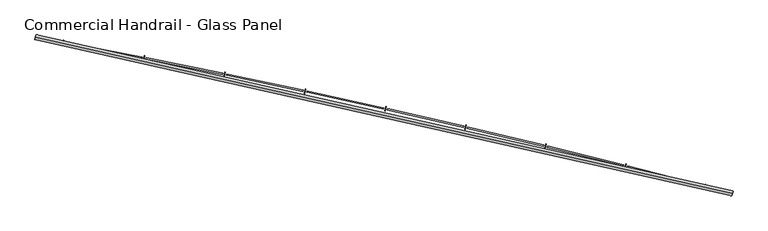
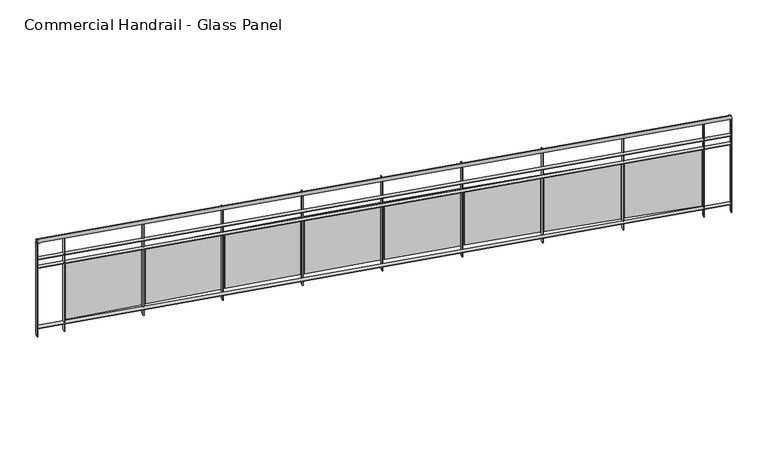
"""IFC4 building model written with IfcOpenShell, lengths in millimetres: railing geometry, Commercial Handrail - Glass Panel."""

from ifc_helpers import new_model, si_unit, point, frame, origin, place, context, project, spatial, polyline, circle_curve, ellipse_curve, trimmed, outline, extrude, source, transform, mapped, element, save
from ifc_brep_helpers import plane_surface, cylinder_surface, revolved_surface, advanced_brep


def commercial_handrail_glass_panel_31feda49(model_context):
    return source(origin(), model_context, "Body", "SolidModel", [
        advanced_brep(
        [(147529.5593555, -11171.1779597, 33282.5), (140754.7489821, -9648.612099, 33282.5), (140754.7489821, -9648.612099, 33317.5), (147529.5593555, -11171.1779597, 33317.5)],
        [
            (0, 1, circle_curve(frame((123990.1653691, -100078.2018552, 33282.5), z_axis=(0.0, 0.0, 1.0), x_axis=(0.18228230158229036, 0.9832462369772197, 0.0)), 91970.4407253)),
            (1, 2, ellipse_curve(frame((140754.7489821, -9648.612099, 33300.0), z_axis=(0.9832462369772187, -0.18228230158229675, 0.0), x_axis=(-0.18228230158229672, -0.9832462369772185, 0.0)), 25.0, 17.5)),
            (2, 3, circle_curve(frame((123990.1653691, -100078.2018552, 33317.5), z_axis=(0.0, 0.0, -1.0), x_axis=(0.18228230158229036, 0.9832462369772197, 0.0)), 91970.4407253)),
            (3, 0, ellipse_curve(frame((147529.5593555, -11171.1779597, 33300.0), z_axis=(-0.9666912890096803, 0.2559452124045356, 0.0), x_axis=(-0.2559452124045356, -0.9666912890096803, 0.0)), 25.0, 17.5)),
            (2, 1, ellipse_curve(frame((140754.7489821, -9648.612099, 33300.0), z_axis=(0.9832462369772187, -0.18228230158229675, 0.0), x_axis=(-0.18228230158229672, -0.9832462369772185, 0.0)), 25.0, 17.5)),
            (0, 3, ellipse_curve(frame((147529.5593555, -11171.1779597, 33300.0), z_axis=(-0.9666912890096803, 0.2559452124045356, 0.0), x_axis=(-0.2559452124045356, -0.9666912890096803, 0.0)), 25.0, 17.5)),
        ],
        [
            revolved_surface(trimmed(ellipse_curve(frame((140754.7489821, -9648.612099, 33300.0), z_axis=(-0.9832462369772197, 0.18228230158229036, 0.0), x_axis=(0.0, 0.0, -1.0)), 17.5, 25.0), [point((140754.7489821, -9648.612099, 33317.5))], [point((140754.7489821, -9648.612099, 33282.5))], True, "CARTESIAN"), (123990.1653691, -100078.2018552, 33300.0), (0.0, 0.0, -1.0)),
            revolved_surface(trimmed(ellipse_curve(frame((140754.7489821, -9648.612099, 33300.0), z_axis=(-0.9832462369772197, 0.18228230158229036, 0.0), x_axis=(0.0, 0.0, -1.0)), 17.5, 25.0), [point((140754.7489821, -9648.612099, 33282.5))], [point((140754.7489821, -9648.612099, 33317.5))], True, "CARTESIAN"), (123990.1653691, -100078.2018552, 33300.0), (0.0, 0.0, -1.0)),
            plane_surface(frame((140754.7489821, -9648.612099, 33300.0), z_axis=(-0.9832462369772198, 0.1822823015822904, 0.0), x_axis=(0.1822823015822904, 0.9832462369772198, 0.0))),
            plane_surface(frame((147529.5593555, -11171.1779597, 33300.0), z_axis=(0.9666912890096803, -0.25594521240453566, 0.0), x_axis=(0.25594521240453566, 0.9666912890096803, 0.0))),
        ],
        [
            (0, [[1, 2, 3, 4]]),
            (1, [[-3, 5, -1, 6]]),
            (2, [[-2, -5]]),
            (3, [[-6, -4]]),
        ],
    ),
        advanced_brep(
        [(147535.3181228, -11149.4274057, 33100.0), (140758.8503338, -9626.4890586, 33100.0), (140750.6476303, -9670.7351393, 33100.0), (147523.8005882, -11192.9285137, 33100.0), (147535.3181228, -11149.4274057, 33094.0), (140758.8503338, -9626.4890586, 33094.0), (147523.8005882, -11192.9285137, 33094.0), (140750.6476303, -9670.7351393, 33094.0)],
        [
            (0, 1, circle_curve(frame((123990.1653691, -100078.2018552, 33100.0), z_axis=(0.0, 0.0, 1.0), x_axis=(0.18228230158229036, 0.9832462369772197, 0.0)), 91992.9407253)),
            (1, 2),
            (2, 3, circle_curve(frame((123990.1653691, -100078.2018552, 33100.0), z_axis=(0.0, 0.0, -1.0), x_axis=(0.18228230158229036, 0.9832462369772197, 0.0)), 91947.9407253)),
            (3, 0),
            (4, 5, circle_curve(frame((123990.1653691, -100078.2018552, 33094.0), z_axis=(0.0, 0.0, 1.0), x_axis=(0.18228230158229036, 0.9832462369772197, 0.0)), 91992.9407253)),
            (5, 1),
            (0, 4),
            (6, 7, circle_curve(frame((123990.1653691, -100078.2018552, 33094.0), z_axis=(0.0, 0.0, 1.0), x_axis=(0.18228230158229036, 0.9832462369772197, 0.0)), 91947.9407253)),
            (7, 5),
            (4, 6),
            (2, 7),
            (6, 3),
        ],
        [
            plane_surface(frame((123990.1653691, -100078.2018552, 33100.0), z_axis=(0.0, 0.0, 1.0), x_axis=(0.18228230158229036, 0.9832462369772197, 0.0))),
            cylinder_surface(frame((123990.1653691, -100078.2018552, 33100.0), z_axis=(0.0, 0.0, -1.0), x_axis=(0.18228230158229036, 0.9832462369772197, 0.0)), 91992.9407253),
            plane_surface(frame((123990.1653691, -100078.2018552, 33094.0), z_axis=(0.0, 0.0, -1.0), x_axis=(0.18228230158229036, 0.9832462369772197, 0.0))),
            revolved_surface(polyline([(140750.6476302597, -9670.735139244323, 33094.0), (140750.6476302597, -9670.735139244323, 33100.0)]), (123990.1653691, -100078.2018552, 33100.0), (0.0, 0.0, -1.0)),
            plane_surface(frame((140754.7489821, -9648.612099, 33100.0), z_axis=(-0.9832462369772198, 0.1822823015822904, 0.0), x_axis=(0.1822823015822904, 0.9832462369772198, 0.0))),
            plane_surface(frame((147529.5593555, -11171.1779597, 33100.0), z_axis=(0.9666912890096803, -0.25594521240453566, 0.0), x_axis=(0.25594521240453566, 0.9666912890096803, 0.0))),
        ],
        [
            (0, [[1, 2, 3, 4]]),
            (1, [[5, 6, -1, 7]]),
            (2, [[8, 9, -5, 10]]),
            (3, [[-3, 11, -8, 12]]),
            (4, [[-2, -6, -9, -11]]),
            (5, [[-12, -10, -7, -4]]),
        ],
    ),
        advanced_brep(
        [(147535.3181228, -11149.4274057, 33000.0), (140758.8503338, -9626.4890586, 33000.0), (140750.6476303, -9670.7351393, 33000.0), (147523.8005882, -11192.9285137, 33000.0), (147535.3181228, -11149.4274057, 32994.0), (140758.8503338, -9626.4890586, 32994.0), (147523.8005882, -11192.9285137, 32994.0), (140750.6476303, -9670.7351393, 32994.0)],
        [
            (0, 1, circle_curve(frame((123990.1653691, -100078.2018552, 33000.0), z_axis=(0.0, 0.0, 1.0), x_axis=(0.18228230158229036, 0.9832462369772197, 0.0)), 91992.9407253)),
            (1, 2),
            (2, 3, circle_curve(frame((123990.1653691, -100078.2018552, 33000.0), z_axis=(0.0, 0.0, -1.0), x_axis=(0.18228230158229036, 0.9832462369772197, 0.0)), 91947.9407253)),
            (3, 0),
            (4, 5, circle_curve(frame((123990.1653691, -100078.2018552, 32994.0), z_axis=(0.0, 0.0, 1.0), x_axis=(0.18228230158229036, 0.9832462369772197, 0.0)), 91992.9407253)),
            (5, 1),
            (0, 4),
            (6, 7, circle_curve(frame((123990.1653691, -100078.2018552, 32994.0), z_axis=(0.0, 0.0, 1.0), x_axis=(0.18228230158229036, 0.9832462369772197, 0.0)), 91947.9407253)),
            (7, 5),
            (4, 6),
            (2, 7),
            (6, 3),
        ],
        [
            plane_surface(frame((123990.1653691, -100078.2018552, 33000.0), z_axis=(0.0, 0.0, 1.0), x_axis=(0.18228230158229036, 0.9832462369772197, 0.0))),
            cylinder_surface(frame((123990.1653691, -100078.2018552, 33000.0), z_axis=(0.0, 0.0, -1.0), x_axis=(0.18228230158229036, 0.9832462369772197, 0.0)), 91992.9407253),
            plane_surface(frame((123990.1653691, -100078.2018552, 32994.0), z_axis=(0.0, 0.0, -1.0), x_axis=(0.18228230158229036, 0.9832462369772197, 0.0))),
            revolved_surface(polyline([(140750.6476302597, -9670.735139244323, 32994.0), (140750.6476302597, -9670.735139244323, 33000.0)]), (123990.1653691, -100078.2018552, 33000.0), (0.0, 0.0, -1.0)),
            plane_surface(frame((140754.7489821, -9648.612099, 33000.0), z_axis=(-0.9832462369772198, 0.1822823015822904, 0.0), x_axis=(0.1822823015822904, 0.9832462369772198, 0.0))),
            plane_surface(frame((147529.5593555, -11171.1779597, 33000.0), z_axis=(0.9666912890096803, -0.25594521240453566, 0.0), x_axis=(0.25594521240453566, 0.9666912890096803, 0.0))),
        ],
        [
            (0, [[1, 2, 3, 4]]),
            (1, [[5, 6, -1, 7]]),
            (2, [[8, 9, -5, 10]]),
            (3, [[-3, 11, -8, 12]]),
            (4, [[-2, -6, -9, -11]]),
            (5, [[-12, -10, -7, -4]]),
        ],
    ),
        advanced_brep(
        [(147535.3181228, -11149.4274057, 32300.0), (140758.8503338, -9626.4890586, 32300.0), (140750.6476303, -9670.7351393, 32300.0), (147523.8005882, -11192.9285137, 32300.0), (147535.3181228, -11149.4274057, 32294.0), (140758.8503338, -9626.4890586, 32294.0), (147523.8005882, -11192.9285137, 32294.0), (140750.6476303, -9670.7351393, 32294.0)],
        [
            (0, 1, circle_curve(frame((123990.1653691, -100078.2018552, 32300.0), z_axis=(0.0, 0.0, 1.0), x_axis=(0.18228230158229036, 0.9832462369772197, 0.0)), 91992.9407253)),
            (1, 2),
            (2, 3, circle_curve(frame((123990.1653691, -100078.2018552, 32300.0), z_axis=(0.0, 0.0, -1.0), x_axis=(0.18228230158229036, 0.9832462369772197, 0.0)), 91947.9407253)),
            (3, 0),
            (4, 5, circle_curve(frame((123990.1653691, -100078.2018552, 32294.0), z_axis=(0.0, 0.0, 1.0), x_axis=(0.18228230158229036, 0.9832462369772197, 0.0)), 91992.9407253)),
            (5, 1),
            (0, 4),
            (6, 7, circle_curve(frame((123990.1653691, -100078.2018552, 32294.0), z_axis=(0.0, 0.0, 1.0), x_axis=(0.18228230158229036, 0.9832462369772197, 0.0)), 91947.9407253)),
            (7, 5),
            (4, 6),
            (2, 7),
            (6, 3),
        ],
        [
            plane_surface(frame((123990.1653691, -100078.2018552, 32300.0), z_axis=(0.0, 0.0, 1.0), x_axis=(0.18228230158229036, 0.9832462369772197, 0.0))),
            cylinder_surface(frame((123990.1653691, -100078.2018552, 32300.0), z_axis=(0.0, 0.0, -1.0), x_axis=(0.18228230158229036, 0.9832462369772197, 0.0)), 91992.9407253),
            plane_surface(frame((123990.1653691, -100078.2018552, 32294.0), z_axis=(0.0, 0.0, -1.0), x_axis=(0.18228230158229036, 0.9832462369772197, 0.0))),
            revolved_surface(polyline([(140750.6476302597, -9670.735139244323, 32294.0), (140750.6476302597, -9670.735139244323, 32300.0)]), (123990.1653691, -100078.2018552, 32300.0), (0.0, 0.0, -1.0)),
            plane_surface(frame((140754.7489821, -9648.612099, 32300.0), z_axis=(-0.9832462369772198, 0.1822823015822904, 0.0), x_axis=(0.1822823015822904, 0.9832462369772198, 0.0))),
            plane_surface(frame((147529.5593555, -11171.1779597, 32300.0), z_axis=(0.9666912890096803, -0.25594521240453566, 0.0), x_axis=(0.25594521240453566, 0.9666912890096803, 0.0))),
        ],
        [
            (0, [[1, 2, 3, 4]]),
            (1, [[5, 6, -1, 7]]),
            (2, [[8, 9, -5, 10]]),
            (3, [[-3, 11, -8, 12]]),
            (4, [[-2, -6, -9, -11]]),
            (5, [[-12, -10, -7, -4]]),
        ],
    ),
        extrude(outline(polyline([(147257.221986, -11122.7754383), (147268.6104754, -11079.2403685), (147274.4151514, -11080.7588337), (147263.0266619, -11124.2939036), (147257.221986, -11122.7754383)])), frame((0.0, 0.0, 32200.0), z_axis=(0.0, 0.0, 1.0), x_axis=(1.0, 0.0, 0.0)), (0.0, 0.0, 1.0), 1082.1192282),
        extrude(outline(polyline([(146512.0701942, -10900.9970799), (147248.1587203, -11090.1363983), (147245.17231, -11101.7588487), (146509.0837839, -10912.6195303), (146512.0701942, -10900.9970799)])), frame((0.0, 0.0, 32320.0), z_axis=(0.0, 0.0, 1.0), x_axis=(1.0, 0.0, 0.0)), (0.0, 0.0, 1.0), 660.0),
        extrude(outline(polyline([(146482.5774638, -10923.7560279), (146493.5868397, -10880.1235441), (146499.4045042, -10881.5914608), (146488.3951283, -10925.2239446), (146482.5774638, -10923.7560279)])), frame((0.0, 0.0, 32200.0), z_axis=(0.0, 0.0, 1.0), x_axis=(1.0, 0.0, 0.0)), (0.0, 0.0, 1.0), 1082.1192282),
        extrude(outline(polyline([(145735.524759, -10708.4676411), (146473.2306356, -10891.1970579), (146470.3454342, -10902.8450454), (145732.6395577, -10720.1156287), (145735.524759, -10708.4676411)])), frame((0.0, 0.0, 32320.0), z_axis=(0.0, 0.0, 1.0), x_axis=(1.0, 0.0, 0.0)), (0.0, 0.0, 1.0), 660.0),
        extrude(outline(polyline([(145706.2311094, -10731.4822658), (145716.8605387, -10687.7556694), (145722.6907516, -10689.1729267), (145712.0613222, -10732.8995231), (145706.2311094, -10731.4822658)])), frame((0.0, 0.0, 32200.0), z_axis=(0.0, 0.0, 1.0), x_axis=(1.0, 0.0, 0.0)), (0.0, 0.0, 1.0), 1082.1192282),
        extrude(outline(polyline([(144957.3340156, -10522.7001401), (145696.6014259, -10699.0058295), (145693.8176518, -10710.6784728), (144954.5502416, -10534.3727835), (144957.3340156, -10522.7001401)])), frame((0.0, 0.0, 32320.0), z_axis=(0.0, 0.0, 1.0), x_axis=(1.0, 0.0, 0.0)), (0.0, 0.0, 1.0), 660.0),
        extrude(outline(polyline([(144928.2416631, -10545.9687002), (144938.4903417, -10502.1512997), (144944.3326617, -10503.5177901), (144934.0839832, -10547.3351907), (144928.2416631, -10545.9687002)])), frame((0.0, 0.0, 32200.0), z_axis=(0.0, 0.0, 1.0), x_axis=(1.0, 0.0, 0.0)), (0.0, 0.0, 1.0), 1082.1192282),
        extrude(outline(polyline([(144177.5568437, -10343.7086325), (144918.3298529, -10513.5772547), (144915.6477168, -10525.2736707), (144174.8747076, -10355.4050484), (144177.5568437, -10343.7086325)])), frame((0.0, 0.0, 32320.0), z_axis=(0.0, 0.0, 1.0), x_axis=(1.0, 0.0, 0.0)), (0.0, 0.0, 1.0), 660.0),
        extrude(outline(polyline([(144148.6679896, -10367.2293674), (144158.5351419, -10323.324478), (144164.3891271, -10324.6400983), (144154.5219749, -10368.5449877), (144148.6679896, -10367.2293674)])), frame((0.0, 0.0, 32200.0), z_axis=(0.0, 0.0, 1.0), x_axis=(1.0, 0.0, 0.0)), (0.0, 0.0, 1.0), 1082.1192282),
        extrude(outline(polyline([(143396.2522433, -10171.5066611), (144138.4748027, -10334.9253636), (144135.8945074, -10346.6446671), (143393.671948, -10183.2259647), (143396.2522433, -10171.5066611)])), frame((0.0, 0.0, 32320.0), z_axis=(0.0, 0.0, 1.0), x_axis=(1.0, 0.0, 0.0)), (0.0, 0.0, 1.0), 660.0),
        extrude(outline(polyline([(143367.5690734, -10195.2777912), (143377.0539528, -10151.288735), (143382.9191603, -10152.5533856), (143373.4342809, -10196.5424418), (143367.5690734, -10195.2777912)])), frame((0.0, 0.0, 32200.0), z_axis=(0.0, 0.0, 1.0), x_axis=(1.0, 0.0, 0.0)), (0.0, 0.0, 1.0), 1082.1192282),
        extrude(outline(polyline([(142613.4793297, -10006.1072553), (143357.0952809, -10163.0636733), (143354.6170217, -10174.8049778), (142611.0010705, -10017.8485598), (142613.4793297, -10006.1072553)])), frame((0.0, 0.0, 32320.0), z_axis=(0.0, 0.0, 1.0), x_axis=(1.0, 0.0, 0.0)), (0.0, 0.0, 1.0), 660.0),
        extrude(outline(polyline([(142585.0040143, -10030.126982), (142594.1059033, -9986.0570873), (142599.9818892, -9987.2706725), (142590.8800002, -10031.3405672), (142585.0040143, -10030.126982)])), frame((0.0, 0.0, 32200.0), z_axis=(0.0, 0.0, 1.0), x_axis=(1.0, 0.0, 0.0)), (0.0, 0.0, 1.0), 1082.1192282),
        extrude(outline(polyline([(141829.2973297, -9847.5229296), (142574.2504088, -9998.0051873), (142571.8743732, -10009.7676044), (141826.921294, -9859.2853466), (141829.2973297, -9847.5229296)])), frame((0.0, 0.0, 32320.0), z_axis=(0.0, 0.0, 1.0), x_axis=(1.0, 0.0, 0.0)), (0.0, 0.0, 1.0), 660.0),
        extrude(outline(polyline([(141801.0320231, -9871.7894354), (141809.750233, -9827.6420367), (141815.6365528, -9828.8044646), (141806.918343, -9872.9518634), (141801.0320231, -9871.7894354)])), frame((0.0, 0.0, 32200.0), z_axis=(0.0, 0.0, 1.0), x_axis=(1.0, 0.0, 0.0)), (0.0, 0.0, 1.0), 1082.1192282),
        extrude(outline(polyline([(141043.7655762, -9695.7656828), (141789.9994183, -9839.7623945), (141787.725786, -9851.5450341), (141041.491944, -9707.5483224), (141043.7655762, -9695.7656828)])), frame((0.0, 0.0, 32320.0), z_axis=(0.0, 0.0, 1.0), x_axis=(1.0, 0.0, 0.0)), (0.0, 0.0, 1.0), 660.0),
        extrude(outline(polyline([(141015.7124173, -9720.2771318), (141024.0462883, -9676.0555692), (141029.9424967, -9677.166752), (141021.6086256, -9721.3883146), (141015.7124173, -9720.2771318)])), frame((0.0, 0.0, 32200.0), z_axis=(0.0, 0.0, 1.0), x_axis=(1.0, 0.0, 0.0)), (0.0, 0.0, 1.0), 1082.1192282),
        extrude(outline(polyline([(147520.9005143, -11192.1606781), (147532.4180489, -11148.6595701), (147538.2181966, -11150.1952413), (147526.7006621, -11193.6963494), (147520.9005143, -11192.1606781)])), frame((0.0, 0.0, 32200.0), z_axis=(0.0, 0.0, 1.0), x_axis=(1.0, 0.0, 0.0)), (0.0, 0.0, 1.0), 1082.1192282),
        extrude(outline(polyline([(140747.6978916, -9670.1882924), (140755.9005951, -9625.9422117), (140761.8000726, -9627.0359055), (140753.597369, -9671.2819862), (140747.6978916, -9670.1882924)])), frame((0.0, 0.0, 32200.0), z_axis=(0.0, 0.0, 1.0), x_axis=(1.0, 0.0, 0.0)), (0.0, 0.0, 1.0), 1082.1192282),
    ])


if __name__ == "__main__":
    model = new_model("IFC4")
    model_context = context("Model", 3, world=origin())
    ifc_project = project(units=[si_unit("LENGTHUNIT", "METRE", prefix="MILLI")], contexts=[model_context])
    site = spatial("IfcSite", under=ifc_project)
    building = spatial("IfcBuilding", under=site)
    placement = place(None, origin())
    commercial_handrail_glass_panel_shape = commercial_handrail_glass_panel_31feda49(model_context)
    element("IfcRailing", 1, ObjectType="Commercial Handrail - Glass Panel", at=placement, inside=building, context=model_context, shape_type="MappedRepresentation", body=[
        mapped(commercial_handrail_glass_panel_shape, transform((0.0, 0.0, 0.0), x_axis=(1.0, 0.0, 0.0), y_axis=(0.0, 1.0, 0.0), z_axis=(0.0, 0.0, 1.0))),
    ])
    save(model, "model.ifc")
